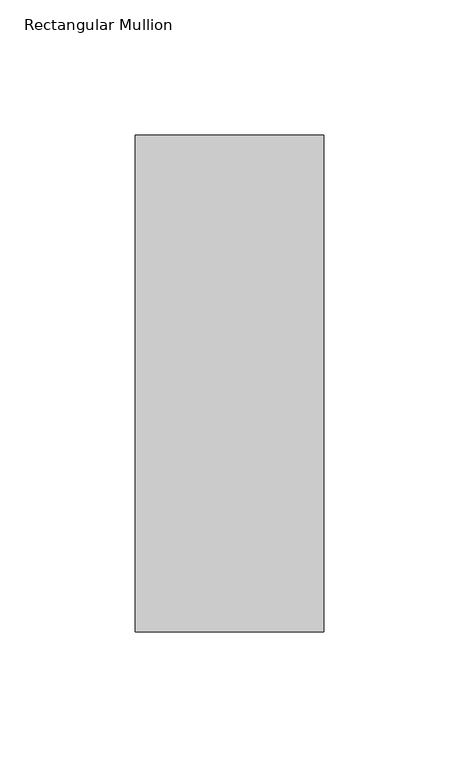
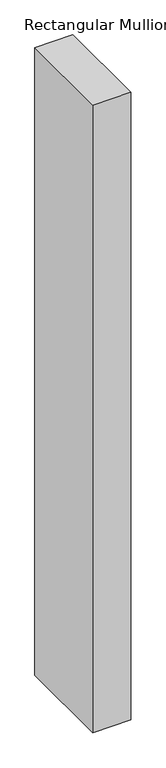
"""IFC4 building model written with IfcOpenShell, lengths in millimetres: member geometry, Rectangular Mullion."""

import ifcopenshell
import ifcopenshell.guid

model = None  # the IFC model being written
_history = None  # IfcOwnerHistory: only IFC2X3 demands one
_inside = {}  # id of a spatial element -> (the spatial element, [elements in it])
_under = {}  # id of a project, library or spatial element -> (it, [spatial elements below it])
_declared = {}  # id of a project -> (the project, [libraries it declares])
_typed = {}  # id of a type object -> (the type object, [elements of that type])
_made_of = {}  # id of a material, layer set ... -> (it, [elements and type objects made of it])


def new_model(schema):
    """Start an empty IFC model of exactly this schema.

    Asked for "IFC4X3", IfcOpenShell would pick the latest addendum, in which some entities
    have other attributes; the version numbers below select the first issue.
    IFC2X3 requires an IfcOwnerHistory on every rooted entity: one is made here for all.
    """
    global model, _history
    if schema == "IFC4X3":
        model = ifcopenshell.file(schema_version=(4, 3, 0, 0))
    else:
        model = ifcopenshell.file(schema=schema)
    _inside.clear()
    _under.clear()
    _declared.clear()
    _typed.clear()
    _made_of.clear()
    _history = None
    if model.schema == "IFC2X3":
        org = make("IfcOrganization", Name="unknown")
        user = make(
            "IfcPersonAndOrganization",
            ThePerson=make("IfcPerson", FamilyName="unknown"),
            TheOrganization=org,
        )
        app = make(
            "IfcApplication",
            ApplicationDeveloper=org,
            Version="unknown",
            ApplicationFullName="unknown",
            ApplicationIdentifier="unknown",
        )
        _history = make(
            "IfcOwnerHistory",
            OwningUser=user,
            OwningApplication=app,
            ChangeAction="ADDED",
            CreationDate=0,
        )
    return model


def make(cls, **values):
    """One entity of the class cls with the attributes given. An attribute that is None is left unset."""
    return model.create_entity(
        cls, **{name: value for name, value in values.items() if value is not None}
    )


def rooted(cls, **values):
    """An entity with a GlobalId (a new one), such as an element, a storey or a relation."""
    return make(cls, GlobalId=ifcopenshell.guid.new(), OwnerHistory=_history, **values)


def si_unit(unit_type, name, prefix=None):
    """IfcSIUnit, for example si_unit("LENGTHUNIT", "METRE", prefix="MILLI")."""
    return make("IfcSIUnit", UnitType=unit_type, Prefix=prefix, Name=name)


def assignment(units):
    """IfcUnitAssignment: the units of a project."""
    return None if units is None else make("IfcUnitAssignment", Units=units)


def point(xyz):
    """IfcCartesianPoint."""
    return None if xyz is None else make("IfcCartesianPoint", Coordinates=xyz)


def direction(xyz):
    """IfcDirection."""
    return None if xyz is None else make("IfcDirection", DirectionRatios=xyz)


def frame(location, z_axis=None, x_axis=None):
    """IfcAxis2Placement3D, a coordinate frame: its origin and axes. An axis left out is left unset."""
    return make(
        "IfcAxis2Placement3D",
        Location=point(location),
        Axis=direction(z_axis),
        RefDirection=direction(x_axis),
    )


def origin():
    """The frame at (0, 0, 0) with its axes left unset."""
    return frame((0.0, 0.0, 0.0))


def place(relative_to, where):
    """IfcLocalPlacement: puts the frame where relative to a parent placement (None: the world)."""
    return make(
        "IfcLocalPlacement", PlacementRelTo=relative_to, RelativePlacement=where
    )


def context(
    kind, dimensions, precision=None, world=None, true_north=None, identifier=None
):
    """IfcGeometricRepresentationContext, for example the 3D "Model" context."""
    return make(
        "IfcGeometricRepresentationContext",
        ContextIdentifier=identifier,
        ContextType=kind,
        CoordinateSpaceDimension=dimensions,
        Precision=precision,
        WorldCoordinateSystem=world,
        TrueNorth=true_north,
    )


def project(units=None, contexts=None):
    """IfcProject with its units and contexts."""
    return rooted(
        "IfcProject",
        Name="project",
        RepresentationContexts=contexts,
        UnitsInContext=assignment(units),
    )


def spatial(cls, under=None, at=None, **own):
    """A site, building, storey or space (cls), placed at a placement, below another one or the project."""
    s = rooted(cls, ObjectPlacement=at, **own)
    if under is not None:
        _under.setdefault(under.id(), (under, []))[1].append(s)
    return s


def polyline(points):
    """IfcPolyline through the points."""
    return make("IfcPolyline", Points=[point(p) for p in points])


def outline(outer, holes=None, kind="AREA"):
    """IfcArbitraryClosedProfileDef: a profile drawn as a closed curve; with holes, ...WithVoids."""
    if holes is None:
        return make("IfcArbitraryClosedProfileDef", ProfileType=kind, OuterCurve=outer)
    return make(
        "IfcArbitraryProfileDefWithVoids",
        ProfileType=kind,
        OuterCurve=outer,
        InnerCurves=holes,
    )


def extrude(swept, where, along, depth):
    """IfcExtrudedAreaSolid: the profile swept, set in the frame where, extruded along a direction by depth."""
    return make(
        "IfcExtrudedAreaSolid",
        SweptArea=swept,
        Position=where,
        ExtrudedDirection=direction(along),
        Depth=depth,
    )


def shape(context_of_items, identifier, shape_type, items):
    """IfcShapeRepresentation: the items that make up one representation, for example the "Body"."""
    return make(
        "IfcShapeRepresentation",
        ContextOfItems=context_of_items,
        RepresentationIdentifier=identifier,
        RepresentationType=shape_type,
        Items=items,
    )


def source(mapping_origin, context_of_items, identifier, shape_type, items):
    """IfcRepresentationMap: a shape defined once, which mapped items show again and again."""
    return make(
        "IfcRepresentationMap",
        MappingOrigin=mapping_origin,
        MappedRepresentation=shape(context_of_items, identifier, shape_type, items),
    )


def transform(
    local_origin,
    x_axis=None,
    y_axis=None,
    z_axis=None,
    scale=None,
    scale2=None,
    scale3=None,
    uniform=True,
):
    """IfcCartesianTransformationOperator3D, or its non-uniform kind. x_axis, y_axis, z_axis: its Axis1, 2, 3."""
    if uniform:
        return make(
            "IfcCartesianTransformationOperator3D",
            Axis1=direction(x_axis),
            Axis2=direction(y_axis),
            LocalOrigin=point(local_origin),
            Scale=scale,
            Axis3=direction(z_axis),
        )
    return make(
        "IfcCartesianTransformationOperator3DnonUniform",
        Axis1=direction(x_axis),
        Axis2=direction(y_axis),
        LocalOrigin=point(local_origin),
        Scale=scale,
        Axis3=direction(z_axis),
        Scale2=scale2,
        Scale3=scale3,
    )


def mapped(mapping_source, mapping_target):
    """IfcMappedItem: shows the shape of a source again, moved by a transform."""
    return make(
        "IfcMappedItem", MappingSource=mapping_source, MappingTarget=mapping_target
    )


def made_of(thing, what):
    """Note that an element or type object is made of a material, layer set ...; save() writes the relation."""
    if what is not None:
        _made_of.setdefault(what.id(), (what, []))[1].append(thing)
    return thing


def element(
    cls,
    number,
    at=None,
    inside=None,
    cuts=None,
    type_object=None,
    material=None,
    context=None,
    identifier="Body",
    shape_type=None,
    held_by="IfcProductDefinitionShape",
    body=None,
    shapes=None,
    **own,
):
    """One element of the class cls, such as IfcWall. Its Tag is "e" and its number.

    at: its placement. inside: the storey or other place that contains it. cuts: it is an
    opening in that element (IfcRelVoidsElement). A single representation is given by context,
    identifier, shape_type and body (its items); several are given by shapes. held_by: the class
    of the entity that holds the representations. save() writes the other relations.
    """
    e = rooted(cls, Tag="e%d" % number, ObjectPlacement=at, **own)
    if body is not None:
        shapes = [shape(context, identifier, shape_type, body)]
    if shapes is not None:
        e.Representation = make(held_by, Representations=shapes)
    if inside is not None:
        _inside.setdefault(inside.id(), (inside, []))[1].append(e)
    if cuts is not None:
        rooted(
            "IfcRelVoidsElement", RelatingBuildingElement=cuts, RelatedOpeningElement=e
        )
    if type_object is not None:
        _typed.setdefault(type_object.id(), (type_object, []))[1].append(e)
    return made_of(e, material)


def aggregate(whole, parts):
    """IfcRelAggregates: a whole, such as a stair, and the parts it consists of."""
    return rooted("IfcRelAggregates", RelatingObject=whole, RelatedObjects=parts)


def save(model, path):
    """Write the relations noted so far, then the file.

    IfcRelAggregates (storeys below a building ...), IfcRelContainedInSpatialStructure (elements
    in a storey), IfcRelDefinesByType, IfcRelAssociatesMaterial and IfcRelDeclares: one each for
    every whole, place, type object, material and project.
    """
    for whole, parts in _under.values():
        aggregate(whole, parts)
    for where, things in _inside.values():
        rooted(
            "IfcRelContainedInSpatialStructure",
            RelatedElements=things,
            RelatingStructure=where,
        )
    for kind, things in _typed.values():
        rooted("IfcRelDefinesByType", RelatedObjects=things, RelatingType=kind)
    for what, things in _made_of.values():
        rooted("IfcRelAssociatesMaterial", RelatedObjects=things, RelatingMaterial=what)
    for by, libraries in _declared.values():
        rooted("IfcRelDeclares", RelatingContext=by, RelatedDefinitions=libraries)
    model.write(path)


def rectangular_mullion_f55353d0(model_context):
    return source(origin(), model_context, "Body", "SweptSolid", [
        extrude(outline(polyline([(-69.85, 150.01875), (0.0, 150.01875), (0.0, -34.13125), (-69.85, -34.13125), (-69.85, 150.01875)])), frame((0.0, 0.0, -1219.2), z_axis=(0.0, 0.0, 1.0), x_axis=(1.0, 0.0, 0.0)), (0.0, 0.0, 1.0), 1219.2),
    ])


if __name__ == "__main__":
    model = new_model("IFC4")
    model_context = context("Model", 3, world=origin())
    ifc_project = project(units=[si_unit("LENGTHUNIT", "METRE", prefix="MILLI")], contexts=[model_context])
    site = spatial("IfcSite", under=ifc_project)
    building = spatial("IfcBuilding", under=site)
    placement = place(None, origin())
    rectangular_mullion_shape = rectangular_mullion_f55353d0(model_context)
    element("IfcMember", 1, ObjectType="Rectangular Mullion", at=placement, inside=building, context=model_context, shape_type="MappedRepresentation", body=[
        mapped(rectangular_mullion_shape, transform((0.0, 0.0, 0.0), x_axis=(1.0, 0.0, 0.0), y_axis=(0.0, 1.0, 0.0), z_axis=(0.0, 0.0, 1.0))),
    ])
    save(model, "model.ifc")
